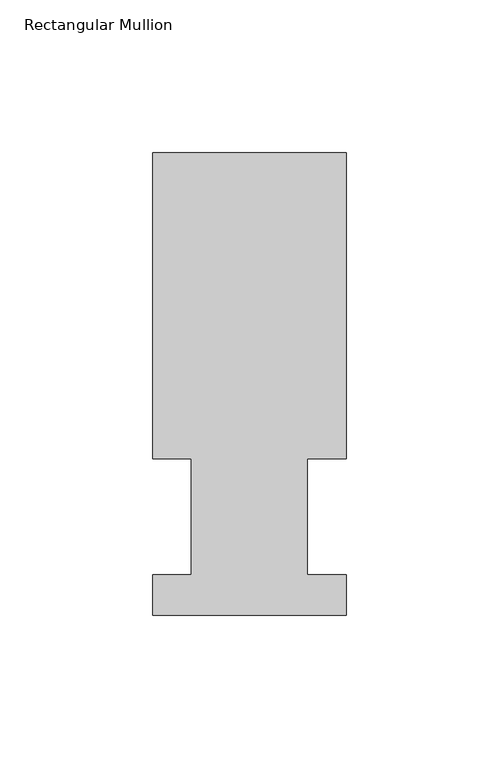
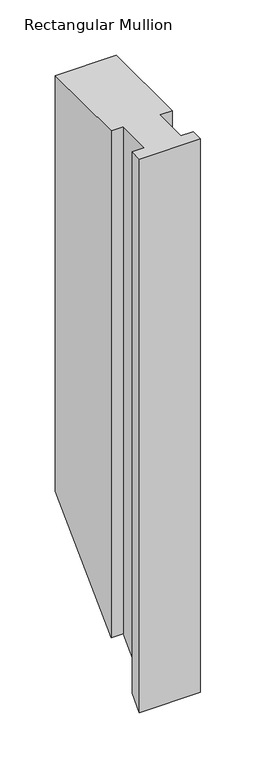
"""IFC4 building model written with IfcOpenShell, lengths in millimetres: member geometry, Rectangular Mullion."""

from ifc_helpers import new_model, si_unit, origin, place, context, project, spatial, faceted_brep, source, transform, mapped, element, save


def rectangular_mullion_59d24178(model_context):
    return source(origin(), model_context, "Body", "Brep", [
        faceted_brep([(-1e-07, 13.1960936, 0.0), (-12.6873001, 13.1960936, 0.0), (-12.6873, 51.2960936, 0.0), (-1e-07, 51.2960936, 0.0), (1e-07, 151.7022936, 0.0), (-63.4999999, 151.7022937, 0.0), (-63.5000001, 51.2960937, 0.0), (-50.8, 51.2960937, 0.0), (-50.8000001, 13.1960937, 0.0), (-63.5000001, 13.1960937, 0.0), (-63.5000001, 0.0134937, 0.0), (-2e-07, 0.0134936, 0.0), (-1e-07, 13.1960936, -596.4039064), (-12.6873001, 13.1960936, -596.4039064), (-12.6873, 51.2960936, -558.3039064), (-1e-07, 51.2960936, -558.3039064), (1e-07, 151.7022936, -457.8977064), (-63.4999999, 151.7022937, -457.8977063), (-63.5000001, 51.2960937, -558.3039063), (-50.8, 51.2960937, -558.3039063), (-50.8000001, 13.1960937, -596.4039063), (-63.5000001, 13.1960937, -596.4039063), (-63.5000001, 0.0134937, -609.5865063), (-2e-07, 0.0134936, -609.5865064)], [[[0, 1, 2, 3, 4, 5, 6, 7, 8, 9, 10, 11]], [[1, 0, 12, 13]], [[2, 1, 13, 14]], [[3, 2, 14, 15]], [[4, 3, 15, 16]], [[5, 4, 16, 17]], [[6, 5, 17, 18]], [[7, 6, 18, 19]], [[8, 7, 19, 20]], [[9, 8, 20, 21]], [[10, 9, 21, 22]], [[11, 10, 22, 23]], [[0, 11, 23, 12]], [[12, 23, 22, 21, 20, 19, 18, 17, 16, 15, 14, 13]]]),
    ])


if __name__ == "__main__":
    model = new_model("IFC4")
    model_context = context("Model", 3, world=origin())
    ifc_project = project(units=[si_unit("LENGTHUNIT", "METRE", prefix="MILLI")], contexts=[model_context])
    site = spatial("IfcSite", under=ifc_project)
    building = spatial("IfcBuilding", under=site)
    placement = place(None, origin())
    rectangular_mullion_shape = rectangular_mullion_59d24178(model_context)
    element("IfcMember", 1, ObjectType="Rectangular Mullion", at=placement, inside=building, context=model_context, shape_type="MappedRepresentation", body=[
        mapped(rectangular_mullion_shape, transform((0.0, 0.0, 0.0), x_axis=(1.0, 0.0, 0.0), y_axis=(0.0, 1.0, 0.0), z_axis=(0.0, 0.0, 1.0))),
    ])
    save(model, "model.ifc")
